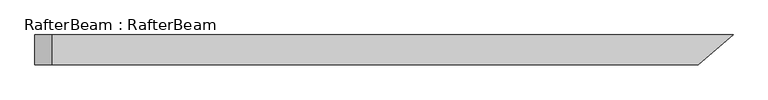
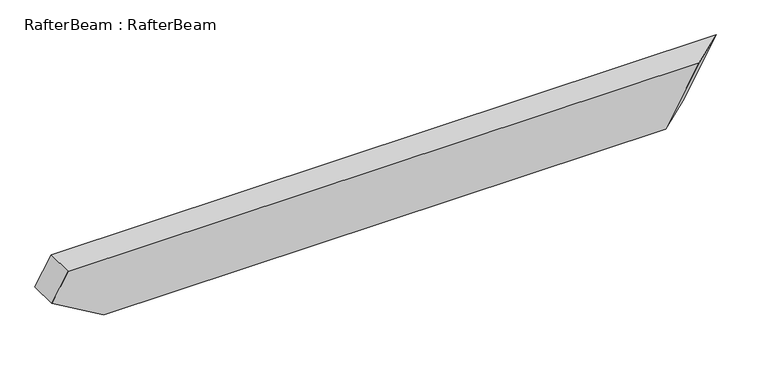
"""IFC4 building model written with IfcOpenShell, lengths in millimetres: beam geometry, RafterBeam : RafterBeam."""

from ifc_helpers import new_model, si_unit, origin, place, context, project, spatial, faceted_brep, source, transform, mapped, element, save


def rafterbeam_rafterbeam_e72193ab(model_context):
    return source(origin(), model_context, "Body", "Brep", [
        faceted_brep([(811.5369398, -40.0, 80.0), (904.7671184, 40.0, 80.0), (-923.4717556, 40.0, 80.0), (-923.4717556, -40.0, 80.0), (812.3910753, 40.0, -80.0), (719.1608967, -40.0, -80.0), (-825.8477986, -40.0, -80.0), (-825.8477986, 40.0, -80.0), (-968.3477986, 40.0, 2.2724134), (-968.3477986, -40.0, 2.2724134)], [[[0, 1, 2, 3]], [[4, 5, 6, 7]], [[1, 4, 7, 8, 2]], [[5, 0, 3, 9, 6]], [[0, 5, 4, 1]], [[3, 2, 8, 9]], [[7, 6, 9, 8]]]),
    ])


if __name__ == "__main__":
    model = new_model("IFC4")
    model_context = context("Model", 3, world=origin())
    ifc_project = project(units=[si_unit("LENGTHUNIT", "METRE", prefix="MILLI")], contexts=[model_context])
    site = spatial("IfcSite", under=ifc_project)
    building = spatial("IfcBuilding", under=site)
    placement = place(None, origin())
    rafterbeam_rafterbeam_shape = rafterbeam_rafterbeam_e72193ab(model_context)
    element("IfcBeam", 1, ObjectType="RafterBeam : RafterBeam", at=placement, inside=building, context=model_context, shape_type="MappedRepresentation", body=[
        mapped(rafterbeam_rafterbeam_shape, transform((0.0, 0.0, 0.0), x_axis=(1.0, 0.0, 0.0), y_axis=(0.0, 1.0, 0.0), z_axis=(0.0, 0.0, 1.0))),
    ])
    save(model, "model.ifc")
